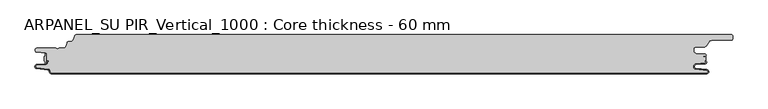
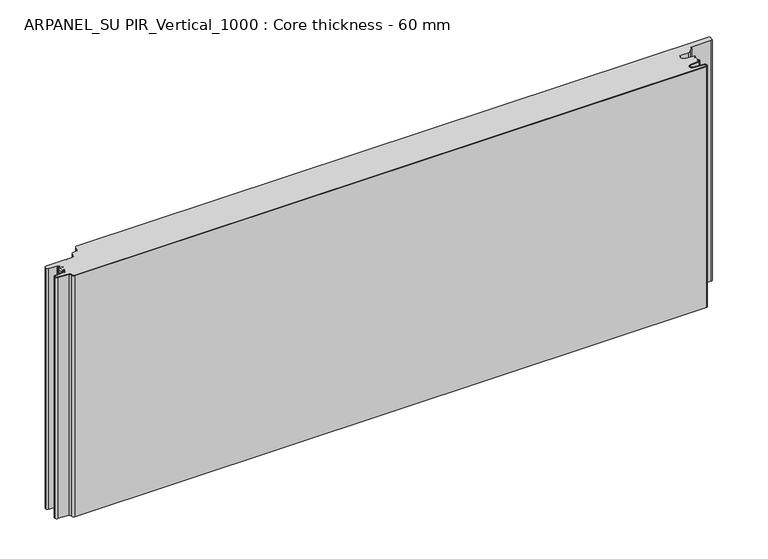
"""IFC4 building model written with IfcOpenShell, lengths in millimetres: plate geometry, ARPANEL_SU PIR_Vertical_1000 : Core thickness - 60 mm."""

from ifc_helpers import new_model, si_unit, point, frame, frame_2d, origin, origin_with_axes, place, context, project, spatial, polyline, circle_curve, trimmed, segment, composite_curve, outline, extrude, source, transform, mapped, element, save
from ifc_brep_helpers import plane_surface, cylinder_surface, revolved_surface, advanced_brep


def arpanel_su_pir_vertical_1000_core_thickness_60_mm_84ff7e29(model_context):
    return source(origin(), model_context, "Body", "SolidModel", [
        extrude(outline(composite_curve([segment(polyline([(-485.6703127, -40.4998404), (-485.6703127, -34.0457975)]), True, "CONTINUOUS"), segment(trimmed(circle_curve(frame_2d((-486.6104836, -31.8050435)), 2.43), [point((-485.6703127, -34.0457975))], [point((-484.1827964, -31.6990483))], True, "CARTESIAN"), True, "CONTINUOUS"), segment(polyline([(-484.1827964, -31.6990483), (-484.1827964, -29.1072781)]), True, "CONTINUOUS"), segment(trimmed(circle_curve(frame_2d((-484.1533322, -31.5658353)), 2.4587337), [point((-484.1827964, -29.1072781))], [point((-483.125, -29.3324736))], False, "CARTESIAN"), True, "CONTINUOUS"), segment(polyline([(-483.125, -29.3324736), (-483.125, -44.6039532)]), True, "CONTINUOUS"), segment(trimmed(circle_curve(frame_2d((-484.168769, -42.3777641)), 2.4587337), [point((-483.125, -44.6039532))], [point((-484.1827964, -44.8364579))], False, "CARTESIAN"), True, "CONTINUOUS"), segment(polyline([(-484.1827964, -44.8364579), (-484.1827964, -42.8465895)]), True, "CONTINUOUS"), segment(trimmed(circle_curve(frame_2d((-486.6104836, -42.7405944)), 2.43), [point((-484.1827964, -42.8465895))], [point((-485.6703127, -40.4998404))], True, "CARTESIAN"), True, "CONTINUOUS")], self_intersect=False)), origin_with_axes(), (0.0, 0.0, 1.0), 400.0),
        advanced_brep(
        [(-474.8000005, -59.2, 0.0), (515.8952274, -59.2, 0.0), (516.1196681, -54.6106719, 0.0), (499.6244124, -52.9932979, 0.0), (496.1953774, -49.1776715, 0.0), (499.6244124, -45.3620451, 0.0), (513.7561326, -43.9764178, 0.0), (513.6195166, -41.1830995, 0.0), (513.6195166, -40.3830995, 0.0), (513.834199, -44.7725998, 0.0), (499.7024787, -46.1582271, 0.0), (496.9954174, -49.1776715, 0.0), (499.7024787, -52.197116, 0.0), (516.1977344, -53.81449, 0.0), (515.8951804, -59.9996949, 0.0), (-474.8000005, -59.9996949, 0.0), (-477.9923633, -56.5787437, 0.0), (-480.2560432, -53.9171154, 0.0), (-497.2115316, -52.2546153, 0.0), (-500.0, -49.1776715, 0.0), (-497.2115316, -46.1007278, 0.0), (-483.6195786, -44.7680252, 0.0), (-481.9952279, -42.9766159, 0.0), (-481.9952279, -41.8996949, 0.0), (-480.5952279, -40.4996949, 0.0), (-479.4952279, -40.4996949, 0.0), (-479.4952279, -41.2996949, 0.0), (-480.5952279, -41.2996949, 0.0), (-481.1952279, -41.8996949, 0.0), (-481.1952279, -42.9766159, 0.0), (-483.5415123, -45.5642071, 0.0), (-497.1334653, -46.8969097, 0.0), (-499.1999998, -49.1776715, 0.0), (-497.1334653, -51.4584333, 0.0), (-480.1779769, -53.1209335, 0.0), (-477.2078763, -56.6330399, 0.0), (-474.8000005, -59.1996949, 400.0), (-477.1942726, -56.6339815, 400.0), (-480.1779769, -53.1209335, 400.0), (-497.1334653, -51.4584333, 400.0), (-499.1999998, -49.1776715, 400.0), (-497.1334653, -46.8969097, 400.0), (-483.5415123, -45.5642071, 400.0), (-481.1952279, -42.9766159, 400.0), (-481.1952279, -41.8996949, 400.0), (-480.5952279, -41.2996949, 400.0), (-479.4952279, -41.2996949, 400.0), (-479.4952279, -40.4996949, 400.0), (-480.5952279, -40.4996949, 400.0), (-481.9952279, -41.8996949, 400.0), (-481.9952279, -42.9766159, 400.0), (-483.6195786, -44.7680252, 400.0), (-497.2115316, -46.1007278, 400.0), (-500.0, -49.1776715, 400.0), (-497.2115316, -52.2546153, 400.0), (-480.2560432, -53.9171154, 400.0), (-478.005967, -56.5778021, 400.0), (-474.8000005, -59.9996949, 400.0), (515.8951804, -59.9996949, 400.0), (516.1977344, -53.81449, 400.0), (499.7024787, -52.197116, 400.0), (496.9954174, -49.1776715, 400.0), (499.7024787, -46.1582271, 400.0), (513.834199, -44.7725998, 400.0), (513.6195166, -40.3830995, 400.0), (513.6195166, -41.1830995, 400.0), (513.7561326, -43.9764178, 400.0), (499.6244124, -45.3620451, 400.0), (496.1953774, -49.1776715, 400.0), (499.6244124, -52.9932979, 400.0), (516.1196681, -54.6106719, 400.0), (515.8952274, -59.1996949, 400.0)],
        [
            (0, 1),
            (1, 2, circle_curve(frame((515.8952274, -56.8996949, 0.0), z_axis=(0.0, 0.0, 1.0), x_axis=(1.0, 0.0, 0.0)), 2.3)),
            (2, 3),
            (3, 4, circle_curve(frame((499.9952274, -49.2114338, 0.0), z_axis=(0.0, 0.0, -1.0), x_axis=(1.0, 0.0, 0.0)), 3.8)),
            (4, 5, circle_curve(frame((499.9952274, -49.1439093, 0.0), z_axis=(0.0, 0.0, -1.0), x_axis=(1.0, 0.0, 0.0)), 3.8)),
            (5, 6),
            (6, 7, circle_curve(frame((513.6195166, -42.5830995, 0.0), z_axis=(0.0, 0.0, 1.0), x_axis=(1.0, 0.0, 0.0)), 1.4)),
            (7, 8),
            (8, 9, circle_curve(frame((513.6195166, -42.5830995, 0.0), z_axis=(0.0, 0.0, -1.0), x_axis=(1.0, 0.0, 0.0)), 2.2)),
            (9, 10),
            (10, 11, circle_curve(frame((499.9952274, -49.1439093, 0.0), z_axis=(0.0, 0.0, 1.0), x_axis=(1.0, 0.0, 0.0)), 3.0)),
            (11, 12, circle_curve(frame((499.9952274, -49.2114338, 0.0), z_axis=(0.0, 0.0, 1.0), x_axis=(1.0, 0.0, 0.0)), 3.0)),
            (12, 13),
            (13, 14, circle_curve(frame((515.8952274, -56.8996949, 0.0), z_axis=(0.0, 0.0, -1.0), x_axis=(1.0, 0.0, 0.0)), 3.1)),
            (14, 15),
            (15, 16, circle_curve(frame((-474.8000005, -56.7996949, 0.0), z_axis=(0.0, 0.0, -1.0), x_axis=(1.0, 0.0, 0.0)), 3.2)),
            (16, 17, circle_curve(frame((-480.5000005, -56.4051839, 0.0), z_axis=(0.0, 0.0, 1.0), x_axis=(1.0, 0.0, 0.0)), 2.5)),
            (17, 18),
            (18, 19, circle_curve(frame((-496.9100005, -49.1793626, 0.0), z_axis=(0.0, 0.0, -1.0), x_axis=(1.0, 0.0, 0.0)), 3.09)),
            (19, 20, circle_curve(frame((-496.9100005, -49.1759805, 0.0), z_axis=(0.0, 0.0, -1.0), x_axis=(1.0, 0.0, 0.0)), 3.09)),
            (20, 21),
            (21, 22, circle_curve(frame((-483.7952279, -42.9766159, 0.0), z_axis=(0.0, 0.0, 1.0), x_axis=(1.0, 0.0, 0.0)), 1.8)),
            (22, 23),
            (23, 24, circle_curve(frame((-480.5952279, -41.8996949, 0.0), z_axis=(0.0, 0.0, -1.0), x_axis=(1.0, 0.0, 0.0)), 1.4)),
            (24, 25),
            (25, 26),
            (26, 27),
            (27, 28, circle_curve(frame((-480.5952279, -41.8996949, 0.0), z_axis=(0.0, 0.0, 1.0), x_axis=(1.0, 0.0, 0.0)), 0.6)),
            (28, 29),
            (29, 30, circle_curve(frame((-483.7952279, -42.9766159, 0.0), z_axis=(0.0, 0.0, -1.0), x_axis=(1.0, 0.0, 0.0)), 2.6)),
            (30, 31),
            (31, 32, circle_curve(frame((-496.9100005, -49.1759805, 0.0), z_axis=(0.0, 0.0, 1.0), x_axis=(1.0, 0.0, 0.0)), 2.29)),
            (32, 33, circle_curve(frame((-496.9100005, -49.1793626, 0.0), z_axis=(0.0, 0.0, 1.0), x_axis=(1.0, 0.0, 0.0)), 2.29)),
            (33, 34),
            (34, 35, circle_curve(frame((-480.5000005, -56.4051839, 0.0), z_axis=(0.0, 0.0, -1.0), x_axis=(1.0, 0.0, 0.0)), 3.3)),
            (35, 0, circle_curve(frame((-474.8000005, -56.7996949, 0.0), z_axis=(0.0, 0.0, 1.0), x_axis=(1.0, 0.0, 0.0)), 2.4)),
            (36, 37, circle_curve(frame((-474.8000005, -56.7996949, 400.0), z_axis=(0.0, 0.0, -1.0), x_axis=(1.0, 0.0, 0.0)), 2.4)),
            (37, 38, circle_curve(frame((-480.5000005, -56.4051839, 400.0), z_axis=(0.0, 0.0, 1.0), x_axis=(1.0, 0.0, 0.0)), 3.3)),
            (38, 39),
            (39, 40, circle_curve(frame((-496.9100005, -49.1793626, 400.0), z_axis=(0.0, 0.0, -1.0), x_axis=(1.0, 0.0, 0.0)), 2.29)),
            (40, 41, circle_curve(frame((-496.9100005, -49.1759805, 400.0), z_axis=(0.0, 0.0, -1.0), x_axis=(1.0, 0.0, 0.0)), 2.29)),
            (41, 42),
            (42, 43, circle_curve(frame((-483.7952279, -42.9766159, 400.0), z_axis=(0.0, 0.0, 1.0), x_axis=(1.0, 0.0, 0.0)), 2.6)),
            (43, 44),
            (44, 45, circle_curve(frame((-480.5952279, -41.8996949, 400.0), z_axis=(0.0, 0.0, -1.0), x_axis=(1.0, 0.0, 0.0)), 0.6)),
            (45, 46),
            (46, 47),
            (47, 48),
            (48, 49, circle_curve(frame((-480.5952279, -41.8996949, 400.0), z_axis=(0.0, 0.0, 1.0), x_axis=(1.0, 0.0, 0.0)), 1.4)),
            (49, 50),
            (50, 51, circle_curve(frame((-483.7952279, -42.9766159, 400.0), z_axis=(0.0, 0.0, -1.0), x_axis=(1.0, 0.0, 0.0)), 1.8)),
            (51, 52),
            (52, 53, circle_curve(frame((-496.9100005, -49.1759805, 400.0), z_axis=(0.0, 0.0, 1.0), x_axis=(1.0, 0.0, 0.0)), 3.09)),
            (53, 54, circle_curve(frame((-496.9100005, -49.1793626, 400.0), z_axis=(0.0, 0.0, 1.0), x_axis=(1.0, 0.0, 0.0)), 3.09)),
            (54, 55),
            (55, 56, circle_curve(frame((-480.5000005, -56.4051839, 400.0), z_axis=(0.0, 0.0, -1.0), x_axis=(1.0, 0.0, 0.0)), 2.5)),
            (56, 57, circle_curve(frame((-474.8000005, -56.7996949, 400.0), z_axis=(0.0, 0.0, 1.0), x_axis=(1.0, 0.0, 0.0)), 3.2)),
            (57, 58),
            (58, 59, circle_curve(frame((515.8952274, -56.8996949, 400.0), z_axis=(0.0, 0.0, 1.0), x_axis=(1.0, 0.0, 0.0)), 3.1)),
            (59, 60),
            (60, 61, circle_curve(frame((499.9952274, -49.2114338, 400.0), z_axis=(0.0, 0.0, -1.0), x_axis=(1.0, 0.0, 0.0)), 3.0)),
            (61, 62, circle_curve(frame((499.9952274, -49.1439093, 400.0), z_axis=(0.0, 0.0, -1.0), x_axis=(1.0, 0.0, 0.0)), 3.0)),
            (62, 63),
            (63, 64, circle_curve(frame((513.6195166, -42.5830995, 400.0), z_axis=(0.0, 0.0, 1.0), x_axis=(1.0, 0.0, 0.0)), 2.2)),
            (64, 65),
            (65, 66, circle_curve(frame((513.6195166, -42.5830995, 400.0), z_axis=(0.0, 0.0, -1.0), x_axis=(1.0, 0.0, 0.0)), 1.4)),
            (66, 67),
            (67, 68, circle_curve(frame((499.9952274, -49.1439093, 400.0), z_axis=(0.0, 0.0, 1.0), x_axis=(1.0, 0.0, 0.0)), 3.8)),
            (68, 69, circle_curve(frame((499.9952274, -49.2114338, 400.0), z_axis=(0.0, 0.0, 1.0), x_axis=(1.0, 0.0, 0.0)), 3.8)),
            (69, 70),
            (70, 71, circle_curve(frame((515.8952274, -56.8996949, 400.0), z_axis=(0.0, 0.0, -1.0), x_axis=(1.0, 0.0, 0.0)), 2.3)),
            (71, 36),
            (0, 36),
            (71, 1),
            (35, 37),
            (34, 38),
            (33, 39),
            (32, 40),
            (31, 41),
            (30, 42),
            (29, 43),
            (28, 44),
            (27, 45),
            (26, 46),
            (25, 47),
            (24, 48),
            (23, 49),
            (22, 50),
            (21, 51),
            (20, 52),
            (19, 53),
            (18, 54),
            (17, 55),
            (16, 56),
            (15, 57),
            (14, 58),
            (70, 2),
            (69, 3),
            (68, 4),
            (67, 5),
            (66, 6),
            (65, 7),
            (64, 8),
            (63, 9),
            (62, 10),
            (61, 11),
            (60, 12),
            (59, 13),
        ],
        [
            plane_surface(frame((-500.0, -60.0, 0.0), z_axis=(0.0, 0.0, -1.0), x_axis=(0.0, 1.0, 0.0))),
            plane_surface(frame((-500.0, -60.0, 400.0), z_axis=(0.0, 0.0, 1.0), x_axis=(0.0, 1.0, 0.0))),
            plane_surface(frame((-474.8000005, -59.2, 0.0), z_axis=(0.0, 1.0, 0.0), x_axis=(0.0, 0.0, 1.0))),
            revolved_surface(polyline([(-472.40000050000003, -56.7996949, 400.0), (-472.40000050000003, -56.7996949, 0.0)]), (-474.8000005, -56.7996949, 0.0), (0.0, 0.0, 1.0)),
            cylinder_surface(frame((-480.5000005, -56.4051839, 0.0), z_axis=(0.0, 0.0, -1.0), x_axis=(1.0, 0.0, 0.0)), 3.3),
            plane_surface(frame((-497.1334653, -51.4584333, 0.0), z_axis=(0.09758289975914758, 0.9952273999818314, 0.0), x_axis=(0.0, 0.0, 1.0))),
            revolved_surface(polyline([(-494.6200005, -49.1793626, 400.0), (-494.6200005, -49.1793626, 0.0)]), (-496.9100005, -49.1793626, 0.0), (0.0, 0.0, 1.0)),
            revolved_surface(polyline([(-494.6200005, -49.1759805, 400.0), (-494.6200005, -49.1759805, 0.0)]), (-496.9100005, -49.1759805, 0.0), (0.0, 0.0, 1.0)),
            plane_surface(frame((-483.5415123, -45.5642071, 0.0), z_axis=(0.09758289975914383, -0.9952273999818317, 0.0), x_axis=(0.0, 0.0, 1.0))),
            cylinder_surface(frame((-483.7952279, -42.9766159, 0.0), z_axis=(0.0, 0.0, -1.0), x_axis=(1.0, 0.0, 0.0)), 2.6),
            plane_surface(frame((-481.1952279, -41.8996949, 0.0), z_axis=(1.0, 0.0, 0.0), x_axis=(0.0, 0.0, 1.0))),
            revolved_surface(polyline([(-479.9952279, -41.8996949, 400.0), (-479.9952279, -41.8996949, 0.0)]), (-480.5952279, -41.8996949, 0.0), (0.0, 0.0, 1.0)),
            plane_surface(frame((-479.4952279, -41.2996949, 0.0), z_axis=(0.0, -1.0, 0.0), x_axis=(0.0, 0.0, 1.0))),
            plane_surface(frame((-479.4952279, -40.4996949, 0.0), z_axis=(1.0, 0.0, 0.0), x_axis=(0.0, 0.0, 1.0))),
            plane_surface(frame((-480.5952279, -40.4996949, 0.0), z_axis=(0.0, 1.0, 0.0), x_axis=(0.0, 0.0, 1.0))),
            cylinder_surface(frame((-480.5952279, -41.8996949, 0.0), z_axis=(0.0, 0.0, -1.0), x_axis=(1.0, 0.0, 0.0)), 1.4),
            plane_surface(frame((-481.9952279, -42.9766159, 0.0), z_axis=(-1.0, 0.0, 0.0), x_axis=(0.0, 0.0, 1.0))),
            revolved_surface(polyline([(-481.9952279, -42.9766159, 400.0), (-481.9952279, -42.9766159, 0.0)]), (-483.7952279, -42.9766159, 0.0), (0.0, 0.0, 1.0)),
            plane_surface(frame((-497.2115316, -46.1007278, 0.0), z_axis=(-0.09758289975914387, 0.9952273999818317, 0.0), x_axis=(0.0, 0.0, 1.0))),
            cylinder_surface(frame((-496.9100005, -49.1759805, 0.0), z_axis=(0.0, 0.0, -1.0), x_axis=(1.0, 0.0, 0.0)), 3.09),
            cylinder_surface(frame((-496.9100005, -49.1793626, 0.0), z_axis=(0.0, 0.0, -1.0), x_axis=(1.0, 0.0, 0.0)), 3.09),
            plane_surface(frame((-480.2560432, -53.9171154, 0.0), z_axis=(-0.09758289975914762, -0.9952273999818314, 0.0), x_axis=(0.0, 0.0, 1.0))),
            revolved_surface(polyline([(-478.0000005, -56.4051839, 400.0), (-478.0000005, -56.4051839, 0.0)]), (-480.5000005, -56.4051839, 0.0), (0.0, 0.0, 1.0)),
            cylinder_surface(frame((-474.8000005, -56.7996949, 0.0), z_axis=(0.0, 0.0, -1.0), x_axis=(1.0, 0.0, 0.0)), 3.2),
            plane_surface(frame((515.8951804, -59.9996949, 0.0), z_axis=(0.0, -1.0, 0.0), x_axis=(0.0, 0.0, 1.0))),
            revolved_surface(polyline([(518.1952273999999, -56.8996949, 400.0), (518.1952273999999, -56.8996949, 0.0)]), (515.8952274, -56.8996949, 0.0), (0.0, 0.0, 1.0)),
            plane_surface(frame((516.1196681, -54.6106719, 0.0), z_axis=(-0.09758289975915109, -0.9952273999818311, 0.0), x_axis=(0.0, 0.0, 1.0))),
            cylinder_surface(frame((499.9952274, -49.2114338, 0.0), z_axis=(0.0, 0.0, -1.0), x_axis=(1.0, 0.0, 0.0)), 3.8),
            cylinder_surface(frame((499.9952274, -49.1439093, 0.0), z_axis=(0.0, 0.0, -1.0), x_axis=(1.0, 0.0, 0.0)), 3.8),
            plane_surface(frame((499.6244124, -45.3620451, 0.0), z_axis=(-0.0975828997591621, 0.9952273999818301, 0.0), x_axis=(0.0, 0.0, 1.0))),
            revolved_surface(polyline([(515.0195166, -42.5830995, 400.0), (515.0195166, -42.5830995, 0.0)]), (513.6195166, -42.5830995, 0.0), (0.0, 0.0, 1.0)),
            plane_surface(frame((513.6195166, -41.1830995, 0.0), z_axis=(-1.0, 0.0, 0.0), x_axis=(0.0, 0.0, 1.0))),
            cylinder_surface(frame((513.6195166, -42.5830995, 0.0), z_axis=(0.0, 0.0, -1.0), x_axis=(1.0, 0.0, 0.0)), 2.2),
            plane_surface(frame((513.834199, -44.7725998, 0.0), z_axis=(0.09758289975916205, -0.99522739998183, 0.0), x_axis=(0.0, 0.0, 1.0))),
            revolved_surface(polyline([(502.9952274, -49.1439093, 400.0), (502.9952274, -49.1439093, 0.0)]), (499.9952274, -49.1439093, 0.0), (0.0, 0.0, 1.0)),
            revolved_surface(polyline([(502.9952274, -49.2114338, 400.0), (502.9952274, -49.2114338, 0.0)]), (499.9952274, -49.2114338, 0.0), (0.0, 0.0, 1.0)),
            plane_surface(frame((499.7024787, -52.197116, 0.0), z_axis=(0.09758289975915109, 0.9952273999818311, 0.0), x_axis=(0.0, 0.0, 1.0))),
            cylinder_surface(frame((515.8952274, -56.8996949, 0.0), z_axis=(0.0, 0.0, -1.0), x_axis=(1.0, 0.0, 0.0)), 3.1),
        ],
        [
            (0, [[1, 2, 3, 4, 5, 6, 7, 8, 9, 10, 11, 12, 13, 14, 15, 16, 17, 18, 19, 20, 21, 22, 23, 24, 25, 26, 27, 28, 29, 30, 31, 32, 33, 34, 35, 36]]),
            (1, [[37, 38, 39, 40, 41, 42, 43, 44, 45, 46, 47, 48, 49, 50, 51, 52, 53, 54, 55, 56, 57, 58, 59, 60, 61, 62, 63, 64, 65, 66, 67, 68, 69, 70, 71, 72]]),
            (2, [[-1, 73, -72, 74]]),
            (3, [[-36, 75, -37, -73]]),
            (4, [[-35, 76, -38, -75]]),
            (5, [[-34, 77, -39, -76]]),
            (6, [[-33, 78, -40, -77]]),
            (7, [[-32, 79, -41, -78]]),
            (8, [[-31, 80, -42, -79]]),
            (9, [[-30, 81, -43, -80]]),
            (10, [[-29, 82, -44, -81]]),
            (11, [[-28, 83, -45, -82]]),
            (12, [[-27, 84, -46, -83]]),
            (13, [[-26, 85, -47, -84]]),
            (14, [[-25, 86, -48, -85]]),
            (15, [[-24, 87, -49, -86]]),
            (16, [[-23, 88, -50, -87]]),
            (17, [[-22, 89, -51, -88]]),
            (18, [[-21, 90, -52, -89]]),
            (19, [[-20, 91, -53, -90]]),
            (20, [[-19, 92, -54, -91]]),
            (21, [[-18, 93, -55, -92]]),
            (22, [[-17, 94, -56, -93]]),
            (23, [[-16, 95, -57, -94]]),
            (24, [[-15, 96, -58, -95]]),
            (25, [[-2, -74, -71, 97]]),
            (26, [[-3, -97, -70, 98]]),
            (27, [[-4, -98, -69, 99]]),
            (28, [[-5, -99, -68, 100]]),
            (29, [[-6, -100, -67, 101]]),
            (30, [[-7, -101, -66, 102]]),
            (31, [[-8, -102, -65, 103]]),
            (32, [[-9, -103, -64, 104]]),
            (33, [[-10, -104, -63, 105]]),
            (34, [[-11, -105, -62, 106]]),
            (35, [[-12, -106, -61, 107]]),
            (36, [[-13, -107, -60, 108]]),
            (37, [[-14, -108, -59, -96]]),
        ],
    ),
        advanced_brep(
        [(-499.2, -25.314536, 400.0), (-497.529495, -27.1375723, 400.0), (-483.7559639, -28.3426003, 400.0), (-481.2, -31.1319454, 400.0), (-481.2, -32.5211477, 400.0), (-480.0, -33.7211477, 400.0), (-477.5, -33.7211477, 400.0), (-477.5, -34.5211477, 400.0), (-480.0, -34.5211477, 400.0), (-482.0, -32.5211477, 400.0), (-482.0, -31.1319454, 400.0), (-483.125, -29.3335086, 400.0), (-483.125, -44.647183, 400.0), (-481.9952279, -42.9766159, 400.0), (-481.9952279, -41.8996949, 400.0), (-480.5952279, -40.4996949, 400.0), (-479.4952279, -40.4996949, 400.0), (-479.4952279, -41.2996949, 400.0), (-480.5952279, -41.2996949, 400.0), (-481.1952279, -41.8996949, 400.0), (-481.1952279, -42.9766159, 400.0), (-483.5415123, -45.5642071, 400.0), (-497.1334653, -46.8969097, 400.0), (-499.1999998, -49.1776715, 400.0), (-497.1334653, -51.4584333, 400.0), (-480.1779769, -53.1209335, 400.0), (-477.2078763, -56.6330399, 400.0), (-474.8000005, -59.1996949, 400.0), (515.8952274, -59.2, 400.0), (516.1196681, -54.6106719, 400.0), (499.6244124, -52.9932979, 400.0), (496.1953774, -49.1776715, 400.0), (499.6244124, -45.3620451, 400.0), (513.7561326, -43.9764178, 400.0), (513.6195166, -41.1830995, 400.0), (513.6195166, -40.3830995, 400.0), (514.3296875, -40.5008754, 400.0), (514.3296875, -34.0468325, 400.0), (513.8114817, -34.1991613, 400.0), (511.3494623, -34.6332818, 400.0), (511.2105437, -33.8454356, 400.0), (513.6725631, -33.4113151, 400.0), (513.5315804, -30.1822811, 400.0), (499.6733761, -28.9698453, 400.0), (496.2045679, -25.1843055, 400.0), (496.2045679, -23.0, 400.0), (500.0045679, -19.2, 400.0), (512.1276102, -19.2, 400.0), (515.2649625, -17.5667978, 400.0), (519.6902494, -11.2468331, 400.0), (523.6221792, -9.2, 400.0), (553.3726359, -9.2, 400.0), (555.2026359, -7.37, 400.0), (555.2026359, -2.63, 400.0), (553.3726359, -0.8, 400.0), (-437.2982256, -0.8, 400.0), (-439.9575557, -2.6832307, 400.0), (-442.1915349, -8.821038, 400.0), (-445.816528, -11.3209755, 400.0), (-448.7504365, -11.3209755, 400.0), (-451.4097077, -13.1828966, 400.0), (-453.7017228, -19.4789642, 400.0), (-456.3328038, -21.3211477, 400.0), (-463.3550282, -21.3211477, 400.0), (-464.4794725, -21.7461477, 400.0), (-467.5220865, -21.7461477, 400.0), (-468.6465308, -21.3211477, 400.0), (-497.37, -21.3211477, 400.0), (-499.2, -23.1511477, 400.0), (-497.529495, -27.1375723, 0.0), (-499.2, -25.314536, 0.0), (-499.2, -23.1511477, 0.0), (-497.37, -21.3211477, 0.0), (-468.6465308, -21.3211477, 0.0), (-467.5220865, -21.7461477, 0.0), (-464.4794725, -21.7461477, 0.0), (-463.3550282, -21.3211477, 0.0), (-456.3328038, -21.3211477, 0.0), (-453.7017228, -19.4789642, 0.0), (-451.4097077, -13.1828966, 0.0), (-448.7504365, -11.3209755, 0.0), (-445.816528, -11.3209755, 0.0), (-442.1915349, -8.821038, 0.0), (-439.9575557, -2.6832307, 0.0), (-437.2982256, -0.8211477, 0.0), (553.3726359, -0.8, 0.0), (555.2026359, -2.63, 0.0), (555.2026359, -7.37, 0.0), (553.3726359, -9.2, 0.0), (523.6221792, -9.2, 0.0), (519.6902494, -11.2468331, 0.0), (515.2649625, -17.5667978, 0.0), (512.1276102, -19.2, 0.0), (500.0045679, -19.2, 0.0), (496.2045679, -23.0, 0.0), (496.2045679, -25.1843055, 0.0), (499.6733761, -28.9698453, 0.0), (513.5315804, -30.1822811, 0.0), (513.6725631, -33.4113151, 0.0), (511.2105437, -33.8454356, 0.0), (511.3494623, -34.6332818, 0.0), (513.8114817, -34.1991613, 0.0), (514.3296875, -34.0468325, 0.0), (514.3296875, -40.5008754, 0.0), (513.6195166, -40.3830995, 0.0), (513.6195166, -41.1830995, 0.0), (513.7561326, -43.9764178, 0.0), (499.6244124, -45.3620451, 0.0), (496.1953774, -49.1776715, 0.0), (499.6244124, -52.9932979, 0.0), (516.1196681, -54.6106719, 0.0), (515.8952274, -59.1996949, 0.0), (-474.8000005, -59.2, 0.0), (-477.1942726, -56.6339815, 0.0), (-480.1779769, -53.1209335, 0.0), (-497.1334653, -51.4584333, 0.0), (-499.1999998, -49.1776715, 0.0), (-497.1334653, -46.8969097, 0.0), (-483.5415123, -45.5642071, 0.0), (-481.1952279, -42.9766159, 0.0), (-481.1952279, -41.8996949, 0.0), (-480.5952279, -41.2996949, 0.0), (-479.4952279, -41.2996949, 0.0), (-479.4952279, -40.4996949, 0.0), (-480.5952279, -40.4996949, 0.0), (-481.9952279, -41.8996949, 0.0), (-481.9952279, -42.9766159, 0.0), (-483.125, -44.647183, 0.0), (-483.125, -29.3335086, 0.0), (-482.0, -31.1319454, 0.0), (-482.0, -32.5211477, 0.0), (-480.0, -34.5211477, 0.0), (-477.5, -34.5211477, 0.0), (-477.5, -33.7211477, 0.0), (-480.0, -33.7211477, 0.0), (-481.2, -32.5211477, 0.0), (-481.2, -31.1319454, 0.0), (-483.7559639, -28.3426003, 0.0)],
        [
            (0, 1, circle_curve(frame((-497.37, -25.314536, 400.0), z_axis=(0.0, 0.0, 1.0), x_axis=(1.0, 0.0, 0.0)), 1.83)),
            (1, 2),
            (2, 3, circle_curve(frame((-484.0, -31.1319454, 400.0), z_axis=(0.0, 0.0, -1.0), x_axis=(1.0, 0.0, 0.0)), 2.8)),
            (3, 4),
            (4, 5, circle_curve(frame((-480.0, -32.5211477, 400.0), z_axis=(0.0, 0.0, 1.0), x_axis=(1.0, 0.0, 0.0)), 1.2)),
            (5, 6),
            (6, 7),
            (7, 8),
            (8, 9, circle_curve(frame((-480.0, -32.5211477, 400.0), z_axis=(0.0, 0.0, -1.0), x_axis=(1.0, 0.0, 0.0)), 2.0)),
            (9, 10),
            (10, 11, circle_curve(frame((-484.0, -31.1319454, 400.0), z_axis=(0.0, 0.0, 1.0), x_axis=(1.0, 0.0, 0.0)), 2.0)),
            (11, 12),
            (12, 13, circle_curve(frame((-483.7952279, -42.9766159, 400.0), z_axis=(0.0, 0.0, 1.0), x_axis=(1.0, 0.0, 0.0)), 1.8)),
            (13, 14),
            (14, 15, circle_curve(frame((-480.5952279, -41.8996949, 400.0), z_axis=(0.0, 0.0, -1.0), x_axis=(1.0, 0.0, 0.0)), 1.4)),
            (15, 16),
            (16, 17),
            (17, 18),
            (18, 19, circle_curve(frame((-480.5952279, -41.8996949, 400.0), z_axis=(0.0, 0.0, 1.0), x_axis=(1.0, 0.0, 0.0)), 0.6)),
            (19, 20),
            (20, 21, circle_curve(frame((-483.7952279, -42.9766159, 400.0), z_axis=(0.0, 0.0, -1.0), x_axis=(1.0, 0.0, 0.0)), 2.6)),
            (21, 22),
            (22, 23, circle_curve(frame((-496.9100005, -49.1759805, 400.0), z_axis=(0.0, 0.0, 1.0), x_axis=(1.0, 0.0, 0.0)), 2.29)),
            (23, 24, circle_curve(frame((-496.9100005, -49.1793626, 400.0), z_axis=(0.0, 0.0, 1.0), x_axis=(1.0, 0.0, 0.0)), 2.29)),
            (24, 25),
            (25, 26, circle_curve(frame((-480.5000005, -56.4051839, 400.0), z_axis=(0.0, 0.0, -1.0), x_axis=(1.0, 0.0, 0.0)), 3.3)),
            (26, 27, circle_curve(frame((-474.8000005, -56.7996949, 400.0), z_axis=(0.0, 0.0, 1.0), x_axis=(1.0, 0.0, 0.0)), 2.4)),
            (27, 28),
            (28, 29, circle_curve(frame((515.8952274, -56.8996949, 400.0), z_axis=(0.0, 0.0, 1.0), x_axis=(1.0, 0.0, 0.0)), 2.3)),
            (29, 30),
            (30, 31, circle_curve(frame((499.9952274, -49.2114338, 400.0), z_axis=(0.0, 0.0, -1.0), x_axis=(1.0, 0.0, 0.0)), 3.8)),
            (31, 32, circle_curve(frame((499.9952274, -49.1439093, 400.0), z_axis=(0.0, 0.0, -1.0), x_axis=(1.0, 0.0, 0.0)), 3.8)),
            (32, 33),
            (33, 34, circle_curve(frame((513.6195166, -42.5830995, 400.0), z_axis=(0.0, 0.0, 1.0), x_axis=(1.0, 0.0, 0.0)), 1.4)),
            (34, 35),
            (35, 36, circle_curve(frame((513.6195166, -42.5830995, 400.0), z_axis=(0.0, 0.0, -1.0), x_axis=(1.0, 0.0, 0.0)), 2.2)),
            (36, 37),
            (37, 38, circle_curve(frame((513.3895166, -31.8060785, 400.0), z_axis=(0.0, 0.0, -1.0), x_axis=(1.0, 0.0, 0.0)), 2.43)),
            (38, 39),
            (39, 40),
            (40, 41),
            (41, 42, circle_curve(frame((513.3895166, -31.8060785, 400.0), z_axis=(0.0, 0.0, 1.0), x_axis=(1.0, 0.0, 0.0)), 1.63)),
            (42, 43),
            (43, 44, circle_curve(frame((500.0045679, -25.1843055, 400.0), z_axis=(0.0, 0.0, -1.0), x_axis=(1.0, 0.0, 0.0)), 3.8)),
            (44, 45),
            (45, 46, circle_curve(frame((500.0045679, -23.0, 400.0), z_axis=(0.0, 0.0, -1.0), x_axis=(1.0, 0.0, 0.0)), 3.8)),
            (46, 47),
            (47, 48, circle_curve(frame((512.1276102, -15.37, 400.0), z_axis=(0.0, 0.0, 1.0), x_axis=(1.0, 0.0, 0.0)), 3.83)),
            (48, 49),
            (49, 50, circle_curve(frame((523.6221792, -14.0, 400.0), z_axis=(0.0, 0.0, -1.0), x_axis=(1.0, 0.0, 0.0)), 4.8)),
            (50, 51),
            (51, 52, circle_curve(frame((553.3726359, -7.37, 400.0), z_axis=(0.0, 0.0, 1.0), x_axis=(1.0, 0.0, 0.0)), 1.83)),
            (52, 53),
            (53, 54, circle_curve(frame((553.3726359, -2.63, 400.0), z_axis=(0.0, 0.0, 1.0), x_axis=(1.0, 0.0, 0.0)), 1.83)),
            (54, 55),
            (55, 56, circle_curve(frame((-437.2982256, -3.6511477, 400.0), z_axis=(0.0, 0.0, 1.0), x_axis=(1.0, 0.0, 0.0)), 2.83)),
            (56, 57),
            (57, 58, circle_curve(frame((-445.7623669, -7.5213615, 400.0), z_axis=(0.0, 0.0, -1.0), x_axis=(1.0, 0.0, 0.0)), 3.8)),
            (58, 59),
            (59, 60, circle_curve(frame((-448.7504365, -14.1509755, 400.0), z_axis=(0.0, 0.0, 1.0), x_axis=(1.0, 0.0, 0.0)), 2.83)),
            (60, 61),
            (61, 62, circle_curve(frame((-456.3328038, -18.5211477, 400.0), z_axis=(0.0, 0.0, -1.0), x_axis=(1.0, 0.0, 0.0)), 2.8)),
            (62, 63),
            (63, 64, circle_curve(frame((-463.3550282, -23.0211477, 400.0), z_axis=(0.0, 0.0, 1.0), x_axis=(1.0, 0.0, 0.0)), 1.7)),
            (64, 65, circle_curve(frame((-466.0007795, -20.0211477, 400.0), z_axis=(0.0, 0.0, -1.0), x_axis=(1.0, 0.0, 0.0)), 2.3)),
            (65, 66, circle_curve(frame((-468.6465308, -23.0211477, 400.0), z_axis=(0.0, 0.0, 1.0), x_axis=(1.0, 0.0, 0.0)), 1.7)),
            (66, 67),
            (67, 68, circle_curve(frame((-497.37, -23.1511477, 400.0), z_axis=(0.0, 0.0, 1.0), x_axis=(1.0, 0.0, 0.0)), 1.83)),
            (68, 0),
            (69, 70, circle_curve(frame((-497.37, -25.314536, 0.0), z_axis=(0.0, 0.0, -1.0), x_axis=(1.0, 0.0, 0.0)), 1.83)),
            (70, 71),
            (71, 72, circle_curve(frame((-497.37, -23.1511477, 0.0), z_axis=(0.0, 0.0, -1.0), x_axis=(1.0, 0.0, 0.0)), 1.83)),
            (72, 73),
            (73, 74, circle_curve(frame((-468.6465308, -23.0211477, 0.0), z_axis=(0.0, 0.0, -1.0), x_axis=(1.0, 0.0, 0.0)), 1.7)),
            (74, 75, circle_curve(frame((-466.0007795, -20.0211477, 0.0), z_axis=(0.0, 0.0, 1.0), x_axis=(1.0, 0.0, 0.0)), 2.3)),
            (75, 76, circle_curve(frame((-463.3550282, -23.0211477, 0.0), z_axis=(0.0, 0.0, -1.0), x_axis=(1.0, 0.0, 0.0)), 1.7)),
            (76, 77),
            (77, 78, circle_curve(frame((-456.3328038, -18.5211477, 0.0), z_axis=(0.0, 0.0, 1.0), x_axis=(1.0, 0.0, 0.0)), 2.8)),
            (78, 79),
            (79, 80, circle_curve(frame((-448.7504365, -14.1509755, 0.0), z_axis=(0.0, 0.0, -1.0), x_axis=(1.0, 0.0, 0.0)), 2.83)),
            (80, 81),
            (81, 82, circle_curve(frame((-445.7623669, -7.5213615, 0.0), z_axis=(0.0, 0.0, 1.0), x_axis=(1.0, 0.0, 0.0)), 3.8)),
            (82, 83),
            (83, 84, circle_curve(frame((-437.2982256, -3.6511477, 0.0), z_axis=(0.0, 0.0, -1.0), x_axis=(1.0, 0.0, 0.0)), 2.83)),
            (84, 85),
            (85, 86, circle_curve(frame((553.3726359, -2.63, 0.0), z_axis=(0.0, 0.0, -1.0), x_axis=(1.0, 0.0, 0.0)), 1.83)),
            (86, 87),
            (87, 88, circle_curve(frame((553.3726359, -7.37, 0.0), z_axis=(0.0, 0.0, -1.0), x_axis=(1.0, 0.0, 0.0)), 1.83)),
            (88, 89),
            (89, 90, circle_curve(frame((523.6221792, -14.0, 0.0), z_axis=(0.0, 0.0, 1.0), x_axis=(1.0, 0.0, 0.0)), 4.8)),
            (90, 91),
            (91, 92, circle_curve(frame((512.1276102, -15.37, 0.0), z_axis=(0.0, 0.0, -1.0), x_axis=(1.0, 0.0, 0.0)), 3.83)),
            (92, 93),
            (93, 94, circle_curve(frame((500.0045679, -23.0, 0.0), z_axis=(0.0, 0.0, 1.0), x_axis=(1.0, 0.0, 0.0)), 3.8)),
            (94, 95),
            (95, 96, circle_curve(frame((500.0045679, -25.1843055, 0.0), z_axis=(0.0, 0.0, 1.0), x_axis=(1.0, 0.0, 0.0)), 3.8)),
            (96, 97),
            (97, 98, circle_curve(frame((513.3895166, -31.8060785, 0.0), z_axis=(0.0, 0.0, -1.0), x_axis=(1.0, 0.0, 0.0)), 1.63)),
            (98, 99),
            (99, 100),
            (100, 101),
            (101, 102, circle_curve(frame((513.3895166, -31.8060785, 0.0), z_axis=(0.0, 0.0, 1.0), x_axis=(1.0, 0.0, 0.0)), 2.43)),
            (102, 103),
            (103, 104, circle_curve(frame((513.6195166, -42.5830995, 0.0), z_axis=(0.0, 0.0, 1.0), x_axis=(1.0, 0.0, 0.0)), 2.2)),
            (104, 105),
            (105, 106, circle_curve(frame((513.6195166, -42.5830995, 0.0), z_axis=(0.0, 0.0, -1.0), x_axis=(1.0, 0.0, 0.0)), 1.4)),
            (106, 107),
            (107, 108, circle_curve(frame((499.9952274, -49.1439093, 0.0), z_axis=(0.0, 0.0, 1.0), x_axis=(1.0, 0.0, 0.0)), 3.8)),
            (108, 109, circle_curve(frame((499.9952274, -49.2114338, 0.0), z_axis=(0.0, 0.0, 1.0), x_axis=(1.0, 0.0, 0.0)), 3.8)),
            (109, 110),
            (110, 111, circle_curve(frame((515.8952274, -56.8996949, 0.0), z_axis=(0.0, 0.0, -1.0), x_axis=(1.0, 0.0, 0.0)), 2.3)),
            (111, 112),
            (112, 113, circle_curve(frame((-474.8000005, -56.7996949, 0.0), z_axis=(0.0, 0.0, -1.0), x_axis=(1.0, 0.0, 0.0)), 2.4)),
            (113, 114, circle_curve(frame((-480.5000005, -56.4051839, 0.0), z_axis=(0.0, 0.0, 1.0), x_axis=(1.0, 0.0, 0.0)), 3.3)),
            (114, 115),
            (115, 116, circle_curve(frame((-496.9100005, -49.1793626, 0.0), z_axis=(0.0, 0.0, -1.0), x_axis=(1.0, 0.0, 0.0)), 2.29)),
            (116, 117, circle_curve(frame((-496.9100005, -49.1759805, 0.0), z_axis=(0.0, 0.0, -1.0), x_axis=(1.0, 0.0, 0.0)), 2.29)),
            (117, 118),
            (118, 119, circle_curve(frame((-483.7952279, -42.9766159, 0.0), z_axis=(0.0, 0.0, 1.0), x_axis=(1.0, 0.0, 0.0)), 2.6)),
            (119, 120),
            (120, 121, circle_curve(frame((-480.5952279, -41.8996949, 0.0), z_axis=(0.0, 0.0, -1.0), x_axis=(1.0, 0.0, 0.0)), 0.6)),
            (121, 122),
            (122, 123),
            (123, 124),
            (124, 125, circle_curve(frame((-480.5952279, -41.8996949, 0.0), z_axis=(0.0, 0.0, 1.0), x_axis=(1.0, 0.0, 0.0)), 1.4)),
            (125, 126),
            (126, 127, circle_curve(frame((-483.7952279, -42.9766159, 0.0), z_axis=(0.0, 0.0, -1.0), x_axis=(1.0, 0.0, 0.0)), 1.8)),
            (127, 128),
            (128, 129, circle_curve(frame((-484.0, -31.1319454, 0.0), z_axis=(0.0, 0.0, -1.0), x_axis=(1.0, 0.0, 0.0)), 2.0)),
            (129, 130),
            (130, 131, circle_curve(frame((-480.0, -32.5211477, 0.0), z_axis=(0.0, 0.0, 1.0), x_axis=(1.0, 0.0, 0.0)), 2.0)),
            (131, 132),
            (132, 133),
            (133, 134),
            (134, 135, circle_curve(frame((-480.0, -32.5211477, 0.0), z_axis=(0.0, 0.0, -1.0), x_axis=(1.0, 0.0, 0.0)), 1.2)),
            (135, 136),
            (136, 137, circle_curve(frame((-484.0, -31.1319454, 0.0), z_axis=(0.0, 0.0, 1.0), x_axis=(1.0, 0.0, 0.0)), 2.8)),
            (137, 69),
            (102, 37),
            (36, 103),
            (11, 128),
            (127, 12),
            (111, 28),
            (27, 112),
            (26, 113),
            (25, 114),
            (24, 115),
            (23, 116),
            (22, 117),
            (21, 118),
            (20, 119),
            (19, 120),
            (18, 121),
            (17, 122),
            (16, 123),
            (15, 124),
            (14, 125),
            (13, 126),
            (35, 104),
            (34, 105),
            (33, 106),
            (32, 107),
            (31, 108),
            (30, 109),
            (29, 110),
            (69, 1),
            (0, 70),
            (68, 71),
            (67, 72),
            (66, 73),
            (65, 74),
            (64, 75),
            (63, 76),
            (62, 77),
            (61, 78),
            (60, 79),
            (59, 80),
            (58, 81),
            (57, 82),
            (56, 83),
            (55, 84),
            (54, 85),
            (53, 86),
            (52, 87),
            (51, 88),
            (50, 89),
            (49, 90),
            (48, 91),
            (47, 92),
            (46, 93),
            (45, 94),
            (44, 95),
            (43, 96),
            (42, 97),
            (41, 98),
            (40, 99),
            (39, 100),
            (38, 101),
            (10, 129),
            (9, 130),
            (8, 131),
            (7, 132),
            (6, 133),
            (5, 134),
            (4, 135),
            (3, 136),
            (2, 137),
        ],
        [
            plane_surface(frame((-500.0, 0.0, 400.0), z_axis=(0.0, 0.0, 1.0), x_axis=(0.0, -1.0, 0.0))),
            plane_surface(frame((-500.0, 0.0, 0.0), z_axis=(0.0, 0.0, -1.0), x_axis=(0.0, -1.0, 0.0))),
            plane_surface(frame((514.3296875, -41.0, 400.0), z_axis=(1.0, 0.0, 0.0), x_axis=(0.0, 0.0, -1.0))),
            plane_surface(frame((-483.125, -28.75, 400.0), z_axis=(-1.0, 0.0, 0.0), x_axis=(0.0, 0.0, -1.0))),
            plane_surface(frame((515.8952274, -59.2, 530.0), z_axis=(0.0, -1.0, 0.0), x_axis=(0.0, 0.0, -1.0))),
            cylinder_surface(frame((-474.8000005, -56.7996949, 530.0), z_axis=(0.0, 0.0, -1.0), x_axis=(1.0, 0.0, 0.0)), 2.4),
            revolved_surface(polyline([(-477.2000005, -56.4051839, 400.0), (-477.2000005, -56.4051839, 0.0)]), (-480.5000005, -56.4051839, 530.0), (0.0, 0.0, 1.0)),
            plane_surface(frame((-480.1779769, -53.1209335, 530.0), z_axis=(-0.09758289975914758, -0.9952273999818314, 0.0), x_axis=(0.0, 0.0, -1.0))),
            cylinder_surface(frame((-496.9100005, -49.1793626, 530.0), z_axis=(0.0, 0.0, -1.0), x_axis=(1.0, 0.0, 0.0)), 2.29),
            cylinder_surface(frame((-496.9100005, -49.1759805, 530.0), z_axis=(0.0, 0.0, -1.0), x_axis=(1.0, 0.0, 0.0)), 2.29),
            plane_surface(frame((-497.1334653, -46.8969097, 530.0), z_axis=(-0.09758289975914383, 0.9952273999818317, 0.0), x_axis=(0.0, 0.0, -1.0))),
            revolved_surface(polyline([(-481.19522789999996, -42.9766159, 400.0), (-481.19522789999996, -42.9766159, 0.0)]), (-483.7952279, -42.9766159, 530.0), (0.0, 0.0, 1.0)),
            plane_surface(frame((-481.1952279, -42.9766159, 530.0), z_axis=(-1.0, 0.0, 0.0), x_axis=(0.0, 0.0, -1.0))),
            cylinder_surface(frame((-480.5952279, -41.8996949, 530.0), z_axis=(0.0, 0.0, -1.0), x_axis=(1.0, 0.0, 0.0)), 0.6),
            plane_surface(frame((-480.5952279, -41.2996949, 530.0), z_axis=(0.0, 1.0, 0.0), x_axis=(0.0, 0.0, -1.0))),
            plane_surface(frame((-479.4952279, -41.2996949, 530.0), z_axis=(-1.0, 0.0, 0.0), x_axis=(0.0, 0.0, -1.0))),
            plane_surface(frame((-479.4952279, -40.4996949, 530.0), z_axis=(0.0, -1.0, 0.0), x_axis=(0.0, 0.0, -1.0))),
            revolved_surface(polyline([(-479.1952279, -41.8996949, 400.0), (-479.1952279, -41.8996949, 0.0)]), (-480.5952279, -41.8996949, 530.0), (0.0, 0.0, 1.0)),
            plane_surface(frame((-481.9952279, -41.8996949, 530.0), z_axis=(1.0, 0.0, 0.0), x_axis=(0.0, 0.0, -1.0))),
            cylinder_surface(frame((-483.7952279, -42.9766159, 530.0), z_axis=(0.0, 0.0, -1.0), x_axis=(1.0, 0.0, 0.0)), 1.8),
            revolved_surface(polyline([(515.8195166, -42.5830995, 400.0), (515.8195166, -42.5830995, 0.0)]), (513.6195166, -42.5830995, 530.0), (0.0, 0.0, 1.0)),
            plane_surface(frame((513.6195166, -40.3830995, 530.0), z_axis=(1.0, 0.0, 0.0), x_axis=(0.0, 0.0, -1.0))),
            cylinder_surface(frame((513.6195166, -42.5830995, 530.0), z_axis=(0.0, 0.0, -1.0), x_axis=(1.0, 0.0, 0.0)), 1.4),
            plane_surface(frame((513.7561326, -43.9764178, 530.0), z_axis=(0.0975828997591621, -0.9952273999818301, 0.0), x_axis=(0.0, 0.0, -1.0))),
            revolved_surface(polyline([(503.7952274, -49.1439093, 400.0), (503.7952274, -49.1439093, 0.0)]), (499.9952274, -49.1439093, 530.0), (0.0, 0.0, 1.0)),
            revolved_surface(polyline([(503.7952274, -49.2114338, 400.0), (503.7952274, -49.2114338, 0.0)]), (499.9952274, -49.2114338, 530.0), (0.0, 0.0, 1.0)),
            plane_surface(frame((499.6244124, -52.9932979, 530.0), z_axis=(0.09758289975915109, 0.9952273999818311, 0.0), x_axis=(0.0, 0.0, -1.0))),
            cylinder_surface(frame((515.8952274, -56.8996949, 530.0), z_axis=(0.0, 0.0, -1.0), x_axis=(1.0, 0.0, 0.0)), 2.3),
            cylinder_surface(frame((-497.37, -25.314536, 530.0), z_axis=(0.0, 0.0, -1.0), x_axis=(1.0, 0.0, 0.0)), 1.83),
            plane_surface(frame((-499.2, -25.314536, 530.0), z_axis=(-1.0, 0.0, 0.0), x_axis=(0.0, 0.0, -1.0))),
            cylinder_surface(frame((-497.37, -23.1511477, 530.0), z_axis=(0.0, 0.0, -1.0), x_axis=(1.0, 0.0, 0.0)), 1.83),
            plane_surface(frame((-497.37, -21.3211477, 530.0), z_axis=(0.0, 1.0, 0.0), x_axis=(0.0, 0.0, -1.0))),
            cylinder_surface(frame((-468.6465308, -23.0211477, 530.0), z_axis=(0.0, 0.0, -1.0), x_axis=(1.0, 0.0, 0.0)), 1.7),
            revolved_surface(polyline([(-463.7007795, -20.0211477, 400.0), (-463.7007795, -20.0211477, 0.0)]), (-466.0007795, -20.0211477, 530.0), (0.0, 0.0, 1.0)),
            cylinder_surface(frame((-463.3550282, -23.0211477, 530.0), z_axis=(0.0, 0.0, -1.0), x_axis=(1.0, 0.0, 0.0)), 1.7),
            plane_surface(frame((-463.3550282, -21.3211477, 530.0), z_axis=(0.0, 1.0, 0.0), x_axis=(0.0, 0.0, -1.0))),
            revolved_surface(polyline([(-453.5328038, -18.5211477, 400.0), (-453.5328038, -18.5211477, 0.0)]), (-456.3328038, -18.5211477, 530.0), (0.0, 0.0, 1.0)),
            plane_surface(frame((-453.7017228, -19.4789642, 530.0), z_axis=(-0.9396718057170751, 0.3420773268435247, 0.0), x_axis=(0.0, 0.0, -1.0))),
            cylinder_surface(frame((-448.7504365, -14.1509755, 530.0), z_axis=(0.0, 0.0, -1.0), x_axis=(1.0, 0.0, 0.0)), 2.83),
            plane_surface(frame((-448.7504365, -11.3209755, 530.0), z_axis=(0.0, 1.0, 0.0), x_axis=(0.0, 0.0, -1.0))),
            revolved_surface(polyline([(-441.9623669, -7.5213615, 400.0), (-441.9623669, -7.5213615, 0.0)]), (-445.7623669, -7.5213615, 530.0), (0.0, 0.0, 1.0)),
            plane_surface(frame((-442.1915349, -8.821038, 530.0), z_axis=(-0.9396926207859142, 0.34202014332565295, 0.0), x_axis=(0.0, 0.0, -1.0))),
            cylinder_surface(frame((-437.2982256, -3.6511477, 530.0), z_axis=(0.0, 0.0, -1.0), x_axis=(1.0, 0.0, 0.0)), 2.83),
            plane_surface(frame((-437.2982256, -0.8, 530.0), z_axis=(0.0, 1.0, 0.0), x_axis=(0.0, 0.0, -1.0))),
            cylinder_surface(frame((553.3726359, -2.63, 530.0), z_axis=(0.0, 0.0, -1.0), x_axis=(1.0, 0.0, 0.0)), 1.83),
            plane_surface(frame((555.2026359, -2.63, 530.0), z_axis=(1.0, 0.0, 0.0), x_axis=(0.0, 0.0, -1.0))),
            cylinder_surface(frame((553.3726359, -7.37, 530.0), z_axis=(0.0, 0.0, -1.0), x_axis=(1.0, 0.0, 0.0)), 1.83),
            plane_surface(frame((553.3726359, -9.2, 530.0), z_axis=(0.0, -1.0, 0.0), x_axis=(0.0, 0.0, -1.0))),
            revolved_surface(polyline([(528.4221792, -14.0, 400.0), (528.4221792, -14.0, 0.0)]), (523.6221792, -14.0, 530.0), (0.0, 0.0, 1.0)),
            plane_surface(frame((519.6902494, -11.2468331, 530.0), z_axis=(0.8191520442889684, -0.5735764363510797, 0.0), x_axis=(0.0, 0.0, -1.0))),
            cylinder_surface(frame((512.1276102, -15.37, 530.0), z_axis=(0.0, 0.0, -1.0), x_axis=(1.0, 0.0, 0.0)), 3.83),
            plane_surface(frame((512.1276102, -19.2, 530.0), z_axis=(0.0, -1.0, 0.0), x_axis=(0.0, 0.0, -1.0))),
            revolved_surface(polyline([(503.8045679, -23.0, 400.0), (503.8045679, -23.0, 0.0)]), (500.0045679, -23.0, 530.0), (0.0, 0.0, 1.0)),
            plane_surface(frame((496.2045679, -23.0, 530.0), z_axis=(1.0, 0.0, 0.0), x_axis=(0.0, 0.0, -1.0))),
            revolved_surface(polyline([(503.8045679, -25.1843055, 400.0), (503.8045679, -25.1843055, 0.0)]), (500.0045679, -25.1843055, 530.0), (0.0, 0.0, 1.0)),
            plane_surface(frame((499.6733761, -28.9698453, 530.0), z_axis=(0.08715574274740188, 0.996194698091768, 0.0), x_axis=(0.0, 0.0, -1.0))),
            cylinder_surface(frame((513.3895166, -31.8060785, 530.0), z_axis=(0.0, 0.0, -1.0), x_axis=(1.0, 0.0, 0.0)), 1.63),
            plane_surface(frame((513.6725631, -33.4113151, 530.0), z_axis=(0.17364817766686078, -0.9848077530122203, 0.0), x_axis=(0.0, 0.0, -1.0))),
            plane_surface(frame((511.2105437, -33.8454356, 530.0), z_axis=(0.9848077530122239, 0.17364817766684099, 0.0), x_axis=(0.0, 0.0, -1.0))),
            plane_surface(frame((511.3494623, -34.6332818, 530.0), z_axis=(-0.1736481776668594, 0.9848077530122206, 0.0), x_axis=(0.0, 0.0, -1.0))),
            revolved_surface(polyline([(515.8195165999999, -31.8060785, 400.0), (515.8195165999999, -31.8060785, 0.0)]), (513.3895166, -31.8060785, 530.0), (0.0, 0.0, 1.0)),
            cylinder_surface(frame((-484.0, -31.1319454, 530.0), z_axis=(0.0, 0.0, -1.0), x_axis=(1.0, 0.0, 0.0)), 2.0),
            plane_surface(frame((-482.0, -31.1319454, 530.0), z_axis=(1.0, 0.0, 0.0), x_axis=(0.0, 0.0, -1.0))),
            revolved_surface(polyline([(-478.0, -32.5211477, 400.0), (-478.0, -32.5211477, 0.0)]), (-480.0, -32.5211477, 530.0), (0.0, 0.0, 1.0)),
            plane_surface(frame((-480.0, -34.5211477, 530.0), z_axis=(0.0, 1.0, 0.0), x_axis=(0.0, 0.0, -1.0))),
            plane_surface(frame((-477.5, -34.5211477, 530.0), z_axis=(-1.0, 0.0, 0.0), x_axis=(0.0, 0.0, -1.0))),
            plane_surface(frame((-477.5, -33.7211477, 530.0), z_axis=(0.0, -1.0, 0.0), x_axis=(0.0, 0.0, -1.0))),
            cylinder_surface(frame((-480.0, -32.5211477, 530.0), z_axis=(0.0, 0.0, -1.0), x_axis=(1.0, 0.0, 0.0)), 1.2),
            plane_surface(frame((-481.2, -32.5211477, 530.0), z_axis=(-1.0, 0.0, 0.0), x_axis=(0.0, 0.0, -1.0))),
            revolved_surface(polyline([(-481.2, -31.1319454, 400.0), (-481.2, -31.1319454, 0.0)]), (-484.0, -31.1319454, 530.0), (0.0, 0.0, 1.0)),
            plane_surface(frame((-483.7559639, -28.3426003, 530.0), z_axis=(-0.0871557575228913, -0.9961946967990801, 0.0), x_axis=(0.0, 0.0, -1.0))),
        ],
        [
            (0, [[1, 2, 3, 4, 5, 6, 7, 8, 9, 10, 11, 12, 13, 14, 15, 16, 17, 18, 19, 20, 21, 22, 23, 24, 25, 26, 27, 28, 29, 30, 31, 32, 33, 34, 35, 36, 37, 38, 39, 40, 41, 42, 43, 44, 45, 46, 47, 48, 49, 50, 51, 52, 53, 54, 55, 56, 57, 58, 59, 60, 61, 62, 63, 64, 65, 66, 67, 68, 69]]),
            (1, [[70, 71, 72, 73, 74, 75, 76, 77, 78, 79, 80, 81, 82, 83, 84, 85, 86, 87, 88, 89, 90, 91, 92, 93, 94, 95, 96, 97, 98, 99, 100, 101, 102, 103, 104, 105, 106, 107, 108, 109, 110, 111, 112, 113, 114, 115, 116, 117, 118, 119, 120, 121, 122, 123, 124, 125, 126, 127, 128, 129, 130, 131, 132, 133, 134, 135, 136, 137, 138]]),
            (2, [[139, -37, 140, -103]]),
            (3, [[141, -128, 142, -12]]),
            (4, [[143, -28, 144, -112]]),
            (5, [[-144, -27, 145, -113]]),
            (6, [[-145, -26, 146, -114]]),
            (7, [[-146, -25, 147, -115]]),
            (8, [[-147, -24, 148, -116]]),
            (9, [[-148, -23, 149, -117]]),
            (10, [[-149, -22, 150, -118]]),
            (11, [[-150, -21, 151, -119]]),
            (12, [[-151, -20, 152, -120]]),
            (13, [[-152, -19, 153, -121]]),
            (14, [[-153, -18, 154, -122]]),
            (15, [[-154, -17, 155, -123]]),
            (16, [[-155, -16, 156, -124]]),
            (17, [[-156, -15, 157, -125]]),
            (18, [[-157, -14, 158, -126]]),
            (19, [[-158, -13, -142, -127]]),
            (20, [[159, -104, -140, -36]]),
            (21, [[-159, -35, 160, -105]]),
            (22, [[-160, -34, 161, -106]]),
            (23, [[-161, -33, 162, -107]]),
            (24, [[-162, -32, 163, -108]]),
            (25, [[-163, -31, 164, -109]]),
            (26, [[-164, -30, 165, -110]]),
            (27, [[-143, -111, -165, -29]]),
            (28, [[166, -1, 167, -70]]),
            (29, [[-167, -69, 168, -71]]),
            (30, [[-168, -68, 169, -72]]),
            (31, [[-169, -67, 170, -73]]),
            (32, [[-170, -66, 171, -74]]),
            (33, [[-171, -65, 172, -75]]),
            (34, [[-172, -64, 173, -76]]),
            (35, [[-173, -63, 174, -77]]),
            (36, [[-174, -62, 175, -78]]),
            (37, [[-175, -61, 176, -79]]),
            (38, [[-176, -60, 177, -80]]),
            (39, [[-177, -59, 178, -81]]),
            (40, [[-178, -58, 179, -82]]),
            (41, [[-179, -57, 180, -83]]),
            (42, [[-180, -56, 181, -84]]),
            (43, [[-181, -55, 182, -85]]),
            (44, [[-182, -54, 183, -86]]),
            (45, [[-183, -53, 184, -87]]),
            (46, [[-184, -52, 185, -88]]),
            (47, [[-185, -51, 186, -89]]),
            (48, [[-186, -50, 187, -90]]),
            (49, [[-187, -49, 188, -91]]),
            (50, [[-188, -48, 189, -92]]),
            (51, [[-189, -47, 190, -93]]),
            (52, [[-190, -46, 191, -94]]),
            (53, [[-191, -45, 192, -95]]),
            (54, [[-192, -44, 193, -96]]),
            (55, [[-193, -43, 194, -97]]),
            (56, [[-194, -42, 195, -98]]),
            (57, [[-195, -41, 196, -99]]),
            (58, [[-196, -40, 197, -100]]),
            (59, [[-197, -39, 198, -101]]),
            (60, [[-198, -38, -139, -102]]),
            (61, [[199, -129, -141, -11]]),
            (62, [[-199, -10, 200, -130]]),
            (63, [[-200, -9, 201, -131]]),
            (64, [[-201, -8, 202, -132]]),
            (65, [[-202, -7, 203, -133]]),
            (66, [[-203, -6, 204, -134]]),
            (67, [[-204, -5, 205, -135]]),
            (68, [[-205, -4, 206, -136]]),
            (69, [[-206, -3, 207, -137]]),
            (70, [[-166, -138, -207, -2]]),
        ],
    ),
    ])


if __name__ == "__main__":
    model = new_model("IFC4")
    model_context = context("Model", 3, world=origin())
    ifc_project = project(units=[si_unit("LENGTHUNIT", "METRE", prefix="MILLI")], contexts=[model_context])
    site = spatial("IfcSite", under=ifc_project)
    building = spatial("IfcBuilding", under=site)
    placement = place(None, origin())
    arpanel_su_pir_vertical_1000_core_thickness_60_mm_shape = arpanel_su_pir_vertical_1000_core_thickness_60_mm_84ff7e29(model_context)
    element("IfcPlate", 1, ObjectType="ARPANEL_SU PIR_Vertical_1000 : Core thickness - 60 mm", at=placement, inside=building, context=model_context, shape_type="MappedRepresentation", body=[
        mapped(arpanel_su_pir_vertical_1000_core_thickness_60_mm_shape, transform((0.0, 0.0, 0.0), x_axis=(1.0, 0.0, 0.0), y_axis=(0.0, 1.0, 0.0), z_axis=(0.0, 0.0, 1.0))),
    ])
    save(model, "model.ifc")
